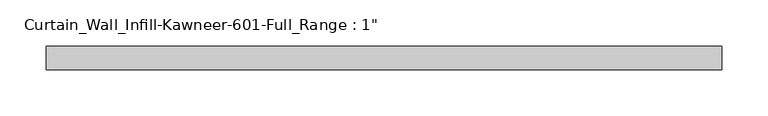
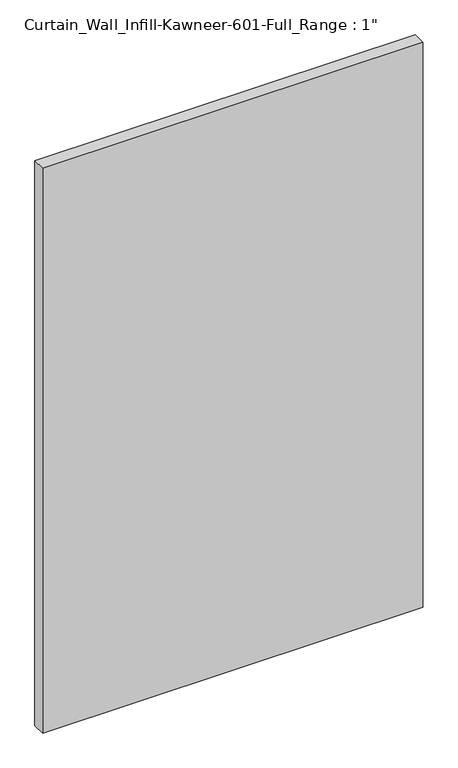
"""IFC4 building model written with IfcOpenShell, lengths in millimetres: plate geometry."""

from ifc_helpers import new_model, si_unit, origin, origin_with_axes, place, context, project, spatial, polyline, outline, extrude, source, transform, mapped, element, save


def plate_095bcae9(model_context):
    return source(origin(), model_context, "Body", "SweptSolid", [
        extrude(outline(polyline([(-365.9214131, -12.7), (-365.9214131, 12.7), (365.9214131, 12.7), (365.9214131, -12.7), (-365.9214131, -12.7)])), origin_with_axes(), (0.0, 0.0, 1.0), 1149.35),
    ])


if __name__ == "__main__":
    model = new_model("IFC4")
    model_context = context("Model", 3, world=origin())
    ifc_project = project(units=[si_unit("LENGTHUNIT", "METRE", prefix="MILLI")], contexts=[model_context])
    site = spatial("IfcSite", under=ifc_project)
    building = spatial("IfcBuilding", under=site)
    placement = place(None, origin())
    plate_shape = plate_095bcae9(model_context)
    element("IfcPlate", 1, ObjectType="Curtain_Wall_Infill-Kawneer-601-Full_Range : 1\"", at=placement, inside=building, context=model_context, shape_type="MappedRepresentation", body=[
        mapped(plate_shape, transform((0.0, 0.0, 0.0), x_axis=(1.0, 0.0, 0.0), y_axis=(0.0, 1.0, 0.0), z_axis=(0.0, 0.0, 1.0))),
    ])
    save(model, "model.ifc")
